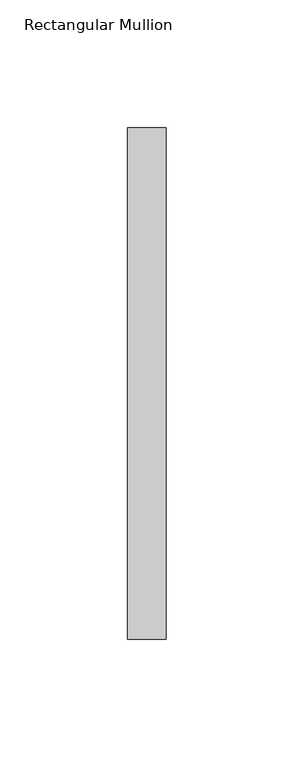
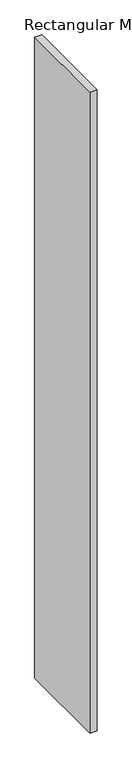
"""IFC4 building model written with IfcOpenShell, lengths in millimetres: member geometry, Rectangular Mullion."""

import ifcopenshell
import ifcopenshell.guid

model = None  # the IFC model being written
_history = None  # IfcOwnerHistory: only IFC2X3 demands one
_inside = {}  # id of a spatial element -> (the spatial element, [elements in it])
_under = {}  # id of a project, library or spatial element -> (it, [spatial elements below it])
_declared = {}  # id of a project -> (the project, [libraries it declares])
_typed = {}  # id of a type object -> (the type object, [elements of that type])
_made_of = {}  # id of a material, layer set ... -> (it, [elements and type objects made of it])


def new_model(schema):
    """Start an empty IFC model of exactly this schema.

    Asked for "IFC4X3", IfcOpenShell would pick the latest addendum, in which some entities
    have other attributes; the version numbers below select the first issue.
    IFC2X3 requires an IfcOwnerHistory on every rooted entity: one is made here for all.
    """
    global model, _history
    if schema == "IFC4X3":
        model = ifcopenshell.file(schema_version=(4, 3, 0, 0))
    else:
        model = ifcopenshell.file(schema=schema)
    _inside.clear()
    _under.clear()
    _declared.clear()
    _typed.clear()
    _made_of.clear()
    _history = None
    if model.schema == "IFC2X3":
        org = make("IfcOrganization", Name="unknown")
        user = make(
            "IfcPersonAndOrganization",
            ThePerson=make("IfcPerson", FamilyName="unknown"),
            TheOrganization=org,
        )
        app = make(
            "IfcApplication",
            ApplicationDeveloper=org,
            Version="unknown",
            ApplicationFullName="unknown",
            ApplicationIdentifier="unknown",
        )
        _history = make(
            "IfcOwnerHistory",
            OwningUser=user,
            OwningApplication=app,
            ChangeAction="ADDED",
            CreationDate=0,
        )
    return model


def make(cls, **values):
    """One entity of the class cls with the attributes given. An attribute that is None is left unset."""
    return model.create_entity(
        cls, **{name: value for name, value in values.items() if value is not None}
    )


def rooted(cls, **values):
    """An entity with a GlobalId (a new one), such as an element, a storey or a relation."""
    return make(cls, GlobalId=ifcopenshell.guid.new(), OwnerHistory=_history, **values)


def si_unit(unit_type, name, prefix=None):
    """IfcSIUnit, for example si_unit("LENGTHUNIT", "METRE", prefix="MILLI")."""
    return make("IfcSIUnit", UnitType=unit_type, Prefix=prefix, Name=name)


def assignment(units):
    """IfcUnitAssignment: the units of a project."""
    return None if units is None else make("IfcUnitAssignment", Units=units)


def point(xyz):
    """IfcCartesianPoint."""
    return None if xyz is None else make("IfcCartesianPoint", Coordinates=xyz)


def direction(xyz):
    """IfcDirection."""
    return None if xyz is None else make("IfcDirection", DirectionRatios=xyz)


def frame(location, z_axis=None, x_axis=None):
    """IfcAxis2Placement3D, a coordinate frame: its origin and axes. An axis left out is left unset."""
    return make(
        "IfcAxis2Placement3D",
        Location=point(location),
        Axis=direction(z_axis),
        RefDirection=direction(x_axis),
    )


def origin():
    """The frame at (0, 0, 0) with its axes left unset."""
    return frame((0.0, 0.0, 0.0))


def place(relative_to, where):
    """IfcLocalPlacement: puts the frame where relative to a parent placement (None: the world)."""
    return make(
        "IfcLocalPlacement", PlacementRelTo=relative_to, RelativePlacement=where
    )


def context(
    kind, dimensions, precision=None, world=None, true_north=None, identifier=None
):
    """IfcGeometricRepresentationContext, for example the 3D "Model" context."""
    return make(
        "IfcGeometricRepresentationContext",
        ContextIdentifier=identifier,
        ContextType=kind,
        CoordinateSpaceDimension=dimensions,
        Precision=precision,
        WorldCoordinateSystem=world,
        TrueNorth=true_north,
    )


def project(units=None, contexts=None):
    """IfcProject with its units and contexts."""
    return rooted(
        "IfcProject",
        Name="project",
        RepresentationContexts=contexts,
        UnitsInContext=assignment(units),
    )


def spatial(cls, under=None, at=None, **own):
    """A site, building, storey or space (cls), placed at a placement, below another one or the project."""
    s = rooted(cls, ObjectPlacement=at, **own)
    if under is not None:
        _under.setdefault(under.id(), (under, []))[1].append(s)
    return s


def polyline(points):
    """IfcPolyline through the points."""
    return make("IfcPolyline", Points=[point(p) for p in points])


def outline(outer, holes=None, kind="AREA"):
    """IfcArbitraryClosedProfileDef: a profile drawn as a closed curve; with holes, ...WithVoids."""
    if holes is None:
        return make("IfcArbitraryClosedProfileDef", ProfileType=kind, OuterCurve=outer)
    return make(
        "IfcArbitraryProfileDefWithVoids",
        ProfileType=kind,
        OuterCurve=outer,
        InnerCurves=holes,
    )


def extrude(swept, where, along, depth):
    """IfcExtrudedAreaSolid: the profile swept, set in the frame where, extruded along a direction by depth."""
    return make(
        "IfcExtrudedAreaSolid",
        SweptArea=swept,
        Position=where,
        ExtrudedDirection=direction(along),
        Depth=depth,
    )


def shape(context_of_items, identifier, shape_type, items):
    """IfcShapeRepresentation: the items that make up one representation, for example the "Body"."""
    return make(
        "IfcShapeRepresentation",
        ContextOfItems=context_of_items,
        RepresentationIdentifier=identifier,
        RepresentationType=shape_type,
        Items=items,
    )


def source(mapping_origin, context_of_items, identifier, shape_type, items):
    """IfcRepresentationMap: a shape defined once, which mapped items show again and again."""
    return make(
        "IfcRepresentationMap",
        MappingOrigin=mapping_origin,
        MappedRepresentation=shape(context_of_items, identifier, shape_type, items),
    )


def transform(
    local_origin,
    x_axis=None,
    y_axis=None,
    z_axis=None,
    scale=None,
    scale2=None,
    scale3=None,
    uniform=True,
):
    """IfcCartesianTransformationOperator3D, or its non-uniform kind. x_axis, y_axis, z_axis: its Axis1, 2, 3."""
    if uniform:
        return make(
            "IfcCartesianTransformationOperator3D",
            Axis1=direction(x_axis),
            Axis2=direction(y_axis),
            LocalOrigin=point(local_origin),
            Scale=scale,
            Axis3=direction(z_axis),
        )
    return make(
        "IfcCartesianTransformationOperator3DnonUniform",
        Axis1=direction(x_axis),
        Axis2=direction(y_axis),
        LocalOrigin=point(local_origin),
        Scale=scale,
        Axis3=direction(z_axis),
        Scale2=scale2,
        Scale3=scale3,
    )


def mapped(mapping_source, mapping_target):
    """IfcMappedItem: shows the shape of a source again, moved by a transform."""
    return make(
        "IfcMappedItem", MappingSource=mapping_source, MappingTarget=mapping_target
    )


def made_of(thing, what):
    """Note that an element or type object is made of a material, layer set ...; save() writes the relation."""
    if what is not None:
        _made_of.setdefault(what.id(), (what, []))[1].append(thing)
    return thing


def element(
    cls,
    number,
    at=None,
    inside=None,
    cuts=None,
    type_object=None,
    material=None,
    context=None,
    identifier="Body",
    shape_type=None,
    held_by="IfcProductDefinitionShape",
    body=None,
    shapes=None,
    **own,
):
    """One element of the class cls, such as IfcWall. Its Tag is "e" and its number.

    at: its placement. inside: the storey or other place that contains it. cuts: it is an
    opening in that element (IfcRelVoidsElement). A single representation is given by context,
    identifier, shape_type and body (its items); several are given by shapes. held_by: the class
    of the entity that holds the representations. save() writes the other relations.
    """
    e = rooted(cls, Tag="e%d" % number, ObjectPlacement=at, **own)
    if body is not None:
        shapes = [shape(context, identifier, shape_type, body)]
    if shapes is not None:
        e.Representation = make(held_by, Representations=shapes)
    if inside is not None:
        _inside.setdefault(inside.id(), (inside, []))[1].append(e)
    if cuts is not None:
        rooted(
            "IfcRelVoidsElement", RelatingBuildingElement=cuts, RelatedOpeningElement=e
        )
    if type_object is not None:
        _typed.setdefault(type_object.id(), (type_object, []))[1].append(e)
    return made_of(e, material)


def aggregate(whole, parts):
    """IfcRelAggregates: a whole, such as a stair, and the parts it consists of."""
    return rooted("IfcRelAggregates", RelatingObject=whole, RelatedObjects=parts)


def save(model, path):
    """Write the relations noted so far, then the file.

    IfcRelAggregates (storeys below a building ...), IfcRelContainedInSpatialStructure (elements
    in a storey), IfcRelDefinesByType, IfcRelAssociatesMaterial and IfcRelDeclares: one each for
    every whole, place, type object, material and project.
    """
    for whole, parts in _under.values():
        aggregate(whole, parts)
    for where, things in _inside.values():
        rooted(
            "IfcRelContainedInSpatialStructure",
            RelatedElements=things,
            RelatingStructure=where,
        )
    for kind, things in _typed.values():
        rooted("IfcRelDefinesByType", RelatedObjects=things, RelatingType=kind)
    for what, things in _made_of.values():
        rooted("IfcRelAssociatesMaterial", RelatedObjects=things, RelatingMaterial=what)
    for by, libraries in _declared.values():
        rooted("IfcRelDeclares", RelatingContext=by, RelatedDefinitions=libraries)
    model.write(path)


def rectangular_mullion_4f85c9e2(model_context):
    return source(origin(), model_context, "Body", "SweptSolid", [
        extrude(outline(polyline([(0.0, 53.0), (-15.0, 53.0), (-15.0, 253.0), (0.0, 253.0), (0.0, 53.0)])), frame((0.0, 0.0, -1419.4279409), z_axis=(0.0, 0.0, 1.0), x_axis=(1.0, 0.0, 0.0)), (0.0, 0.0, 1.0), 1419.4279409),
    ])


if __name__ == "__main__":
    model = new_model("IFC4")
    model_context = context("Model", 3, world=origin())
    ifc_project = project(units=[si_unit("LENGTHUNIT", "METRE", prefix="MILLI")], contexts=[model_context])
    site = spatial("IfcSite", under=ifc_project)
    building = spatial("IfcBuilding", under=site)
    placement = place(None, origin())
    rectangular_mullion_shape = rectangular_mullion_4f85c9e2(model_context)
    element("IfcMember", 1, ObjectType="Rectangular Mullion", at=placement, inside=building, context=model_context, shape_type="MappedRepresentation", body=[
        mapped(rectangular_mullion_shape, transform((0.0, 0.0, 0.0), x_axis=(1.0, 0.0, 0.0), y_axis=(0.0, 1.0, 0.0), z_axis=(0.0, 0.0, 1.0))),
    ])
    save(model, "model.ifc")
